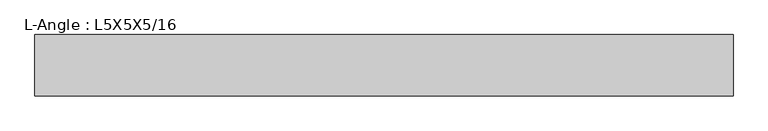
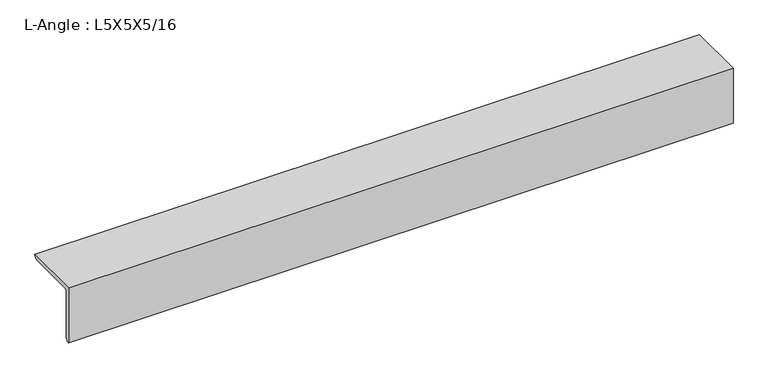
"""IFC4 building model written with IfcOpenShell, lengths in millimetres: beam geometry, L-Angle : L5X5X5/16."""

from ifc_helpers import new_model, si_unit, point, frame, frame_2d, origin, place, context, project, spatial, polyline, circle_curve, trimmed, segment, composite_curve, outline, extrude, source, transform, mapped, element, save


def l_angle_l5x5x5_16_57679cf0(model_context):
    return source(origin(), model_context, "Body", "SweptSolid", [
        extrude(outline(composite_curve([segment(polyline([(-34.3296875, 34.3296875), (92.6703125, 34.3296875)]), True, "CONTINUOUS"), segment(trimmed(circle_curve(frame_2d((84.7328125, 34.3296875)), 7.9375), [point((92.6703125, 34.3296875))], [point((84.7328125, 26.3921875))], False, "CARTESIAN"), True, "CONTINUOUS"), segment(polyline([(84.7328125, 26.3921875), (-18.4546875, 26.3921875)]), True, "CONTINUOUS"), segment(trimmed(circle_curve(frame_2d((-18.4546875, 18.4546875)), 7.9375), [point((-18.4546875, 26.3921875))], [point((-26.3921875, 18.4546875))], True, "CARTESIAN"), True, "CONTINUOUS"), segment(polyline([(-26.3921875, 18.4546875), (-26.3921875, -84.7328125)]), True, "CONTINUOUS"), segment(trimmed(circle_curve(frame_2d((-34.3296875, -84.7328125)), 7.9375), [point((-26.3921875, -84.7328125))], [point((-34.3296875, -92.6703125))], False, "CARTESIAN"), True, "CONTINUOUS"), segment(polyline([(-34.3296875, -92.6703125), (-34.3296875, 34.3296875)]), True, "CONTINUOUS")], self_intersect=False)), frame((-724.3960937, 0.0, 0.0), z_axis=(1.0, 0.0, 0.0), x_axis=(0.0, 1.0, 0.0)), (0.0, 0.0, 1.0), 1448.7921875),
    ])


if __name__ == "__main__":
    model = new_model("IFC4")
    model_context = context("Model", 3, world=origin())
    ifc_project = project(units=[si_unit("LENGTHUNIT", "METRE", prefix="MILLI")], contexts=[model_context])
    site = spatial("IfcSite", under=ifc_project)
    building = spatial("IfcBuilding", under=site)
    placement = place(None, origin())
    l_angle_l5x5x5_16_shape = l_angle_l5x5x5_16_57679cf0(model_context)
    element("IfcBeam", 1, ObjectType="L-Angle : L5X5X5/16", at=placement, inside=building, context=model_context, shape_type="MappedRepresentation", body=[
        mapped(l_angle_l5x5x5_16_shape, transform((0.0, 0.0, 0.0), x_axis=(1.0, 0.0, 0.0), y_axis=(0.0, 1.0, 0.0), z_axis=(0.0, 0.0, 1.0))),
    ])
    save(model, "model.ifc")
